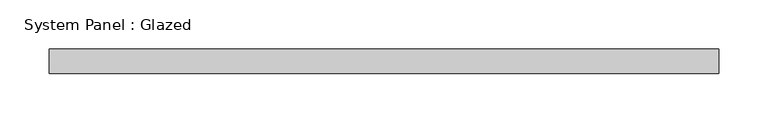
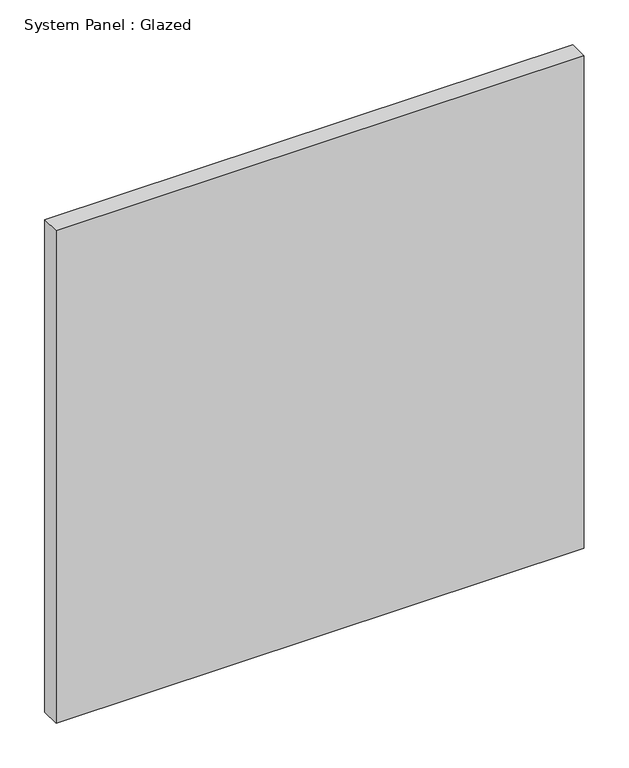
"""IFC4 building model written with IfcOpenShell, lengths in millimetres: plate geometry, System Panel : Glazed."""

from ifc_helpers import new_model, si_unit, origin, origin_with_axes, place, context, project, spatial, polyline, outline, extrude, source, transform, mapped, element, save


def system_panel_glazed_4441c045(model_context):
    return source(origin(), model_context, "Body", "SweptSolid", [
        extrude(outline(polyline([(340.0, 24.5), (-340.0, 24.5), (-340.0, 49.5), (340.0, 49.5), (340.0, 24.5)])), origin_with_axes(), (0.0, 0.0, 1.0), 670.0),
    ])


if __name__ == "__main__":
    model = new_model("IFC4")
    model_context = context("Model", 3, world=origin())
    ifc_project = project(units=[si_unit("LENGTHUNIT", "METRE", prefix="MILLI")], contexts=[model_context])
    site = spatial("IfcSite", under=ifc_project)
    building = spatial("IfcBuilding", under=site)
    placement = place(None, origin())
    system_panel_glazed_shape = system_panel_glazed_4441c045(model_context)
    element("IfcPlate", 1, ObjectType="System Panel : Glazed", at=placement, inside=building, context=model_context, shape_type="MappedRepresentation", body=[
        mapped(system_panel_glazed_shape, transform((0.0, 0.0, 0.0), x_axis=(1.0, 0.0, 0.0), y_axis=(0.0, 1.0, 0.0), z_axis=(0.0, 0.0, 1.0))),
    ])
    save(model, "model.ifc")
